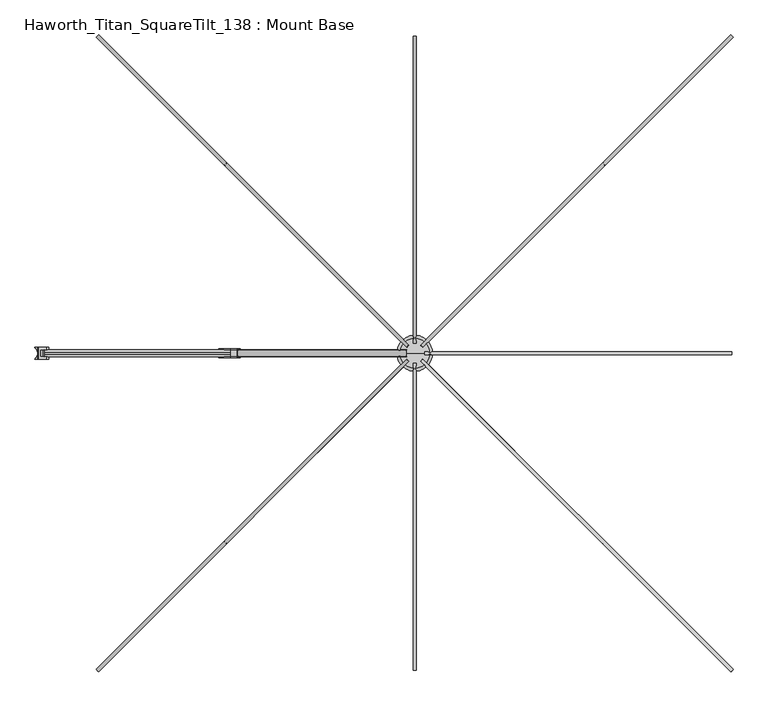
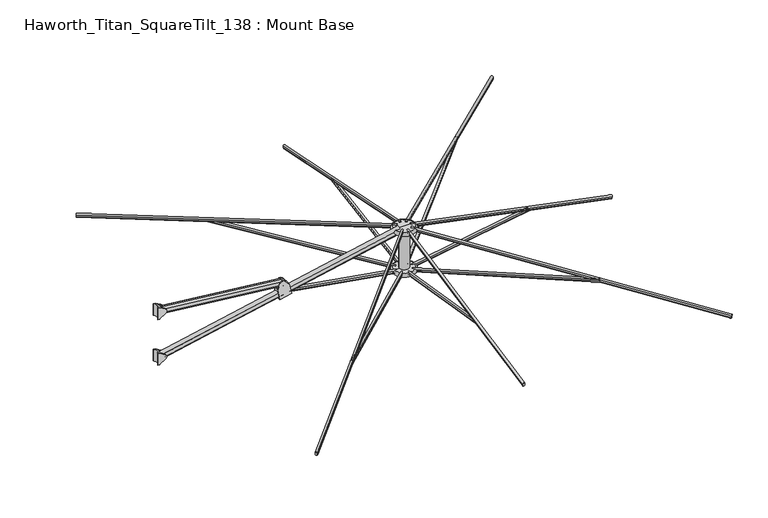
"""IFC4 building model written with IfcOpenShell, lengths in millimetres: furniture geometry, Haworth_Titan_SquareTilt_138 : Mount Base."""

from ifc_helpers import new_model, si_unit, point, frame, frame_2d, origin, place, context, project, spatial, polyline, circle_curve, ellipse_curve, trimmed, segment, composite_curve, outline, extrude, source, transform, mapped, element, save
from ifc_brep_helpers import plane_surface, cylinder_surface, revolved_surface, advanced_brep


def haworth_titan_squaretilt_138_mount_base_e37ba192(model_context):
    return source(origin(), model_context, "Body", "SolidModel", [
        advanced_brep(
        [(-869.5954082, -28.8584398, 2526.2924766), (-770.0187352, -28.8584398, 2546.4740546), (-787.3557443, -28.8584398, 2633.9421224), (-825.1542155, -28.8584398, 2673.9841753), (-867.3492904, -28.8584398, 2665.6207977), (-887.016874, -28.8584398, 2614.1885454), (-789.529389, -23.0799408, 2636.2447868), (-886.064261, -23.0799408, 2616.679702), (-867.3492904, -23.0799408, 2665.6207977), (-825.1542155, -23.0799408, 2673.9841753), (-789.529389, 15.0200592, 2636.2447868), (-886.064261, 15.0200592, 2616.679702), (-825.1542155, 15.0200592, 2673.9841753), (-867.3492904, 15.0200592, 2665.6207977), (-770.0187352, 20.7985583, 2546.4740546), (-869.5954082, 20.7985583, 2526.2924766), (-887.016874, 20.7985583, 2614.1885454), (-867.3492904, 20.7985583, 2665.6207977), (-825.1542155, 20.7985583, 2673.9841753), (-787.3557443, 20.7985583, 2633.9421224), (-879.4307665, -24.0959398, 2575.9145543), (-779.8542982, -24.0959398, 2596.0960908), (-773.8821011, -24.0959398, 2565.9653723), (-873.4586937, -24.0959398, 2545.7838107), (-773.3557206, -23.4898879, 2563.3096957), (-872.9323241, -23.4898879, 2543.1281318), (-773.3557206, 15.4300064, 2563.3096957), (-872.9323241, 15.4300064, 2543.1281318), (-773.8821011, 16.0360583, 2565.9653723), (-873.4586937, 16.0360583, 2545.7838107), (-779.8542982, 16.0360583, 2596.0960908), (-879.4307665, 16.0360583, 2575.9145543), (-780.2734011, 15.6590031, 2598.2105335), (-879.8498606, 15.6590031, 2578.0289988), (-780.2734011, -23.7188847, 2598.2105335), (-879.8498606, -23.7188847, 2578.0289988)],
        [
            (0, 1),
            (1, 2),
            (2, 3),
            (3, 4, circle_curve(frame((-843.6247293, -28.8584398, 2656.5485761), z_axis=(0.0, -1.0, 0.0), x_axis=(1.0, 0.0, 0.0)), 25.4)),
            (4, 5),
            (5, 0),
            (6, 7),
            (7, 8),
            (8, 9, circle_curve(frame((-843.6247293, -23.0799408, 2656.5485761), z_axis=(0.0, 1.0, 0.0), x_axis=(1.0, 0.0, 0.0)), 25.4)),
            (9, 6),
            (6, 10),
            (10, 11),
            (11, 7),
            (10, 12),
            (12, 13, circle_curve(frame((-843.6247293, 15.0200592, 2656.5485761), z_axis=(0.0, -1.0, 0.0), x_axis=(1.0, 0.0, 0.0)), 25.4)),
            (13, 11),
            (14, 15),
            (15, 16),
            (16, 17),
            (17, 18, circle_curve(frame((-843.6247293, 20.7985583, 2656.5485761), z_axis=(0.0, 1.0, 0.0), x_axis=(1.0, 0.0, 0.0)), 25.4)),
            (18, 19),
            (19, 14),
            (0, 15),
            (14, 1),
            (20, 21),
            (21, 22),
            (22, 23),
            (23, 20),
            (22, 24, ellipse_curve(frame((-773.8821011, -17.7459398, 2565.9653723), z_axis=(0.9809169623175261, 0.0, 0.1944271406922321), x_axis=(-0.1944271406922253, 2.253250293405362e-12, 0.9809169623175276)), 6.3500585, 6.35)),
            (24, 25),
            (25, 23, ellipse_curve(frame((-873.4586937, -17.7459398, 2545.7838107), z_axis=(-0.9809177651054216, 0.0, -0.19442309045117281), x_axis=(-0.19442309045116504, 2.251037628428925e-12, 0.9809177651054232)), 6.3500586, 6.35)),
            (24, 26, ellipse_curve(frame((-775.1390476, -4.0299408, 2572.3068744), z_axis=(0.9809169623175261, 0.0, 0.1944271406922321), x_axis=(-0.1944271406922253, 2.253250293405362e-12, 0.9809169623175276)), 21.5133911, 21.513193)),
            (26, 27),
            (27, 25, ellipse_curve(frame((-874.715614, -4.0299408, 2552.125318), z_axis=(-0.9809177651054216, 0.0, -0.19442309045117281), x_axis=(-0.19442309045116504, 2.251037628428925e-12, 0.9809177651054232)), 21.5133915, 21.513193)),
            (26, 28, ellipse_curve(frame((-773.8821011, 9.6860583, 2565.9653723), z_axis=(0.9809169623175261, 0.0, 0.1944271406922321), x_axis=(-0.1944271406922253, 2.253250293405362e-12, 0.9809169623175276)), 6.3500585, 6.35)),
            (28, 29),
            (29, 27, ellipse_curve(frame((-873.4586937, 9.6860583, 2545.7838107), z_axis=(-0.9809177651054216, 0.0, -0.19442309045117281), x_axis=(-0.19442309045116504, 2.251037628428925e-12, 0.9809177651054232)), 6.3500586, 6.35)),
            (28, 30),
            (30, 31),
            (31, 29),
            (30, 32, ellipse_curve(frame((-779.8542982, 9.6860583, 2596.0960908), z_axis=(0.9809169623175261, 0.0, 0.1944271406922321), x_axis=(-0.1944271406922253, 2.253250293405362e-12, 0.9809169623175276)), 6.3500585, 6.35)),
            (32, 33),
            (33, 31, ellipse_curve(frame((-879.4307665, 9.6860583, 2575.9145543), z_axis=(-0.9809177651054216, 0.0, -0.19442309045117281), x_axis=(-0.19442309045116504, 2.251037628428925e-12, 0.9809177651054232)), 6.3500586, 6.35)),
            (32, 34, ellipse_curve(frame((-778.8918896, -4.0299408, 2591.2405804), z_axis=(0.9809169623175261, 0.0, 0.1944271406922321), x_axis=(-0.1944271406922253, 2.253250293405362e-12, 0.9809169623175276)), 20.9320441, 20.9318514)),
            (34, 35),
            (35, 33, ellipse_curve(frame((-878.4683779, -4.0299408, 2571.0590399), z_axis=(-0.9809177651054216, 0.0, -0.19442309045117281), x_axis=(-0.19442309045116504, 2.251037628428925e-12, 0.9809177651054232)), 20.9320445, 20.9318514)),
            (20, 35, ellipse_curve(frame((-879.4307665, -17.7459398, 2575.9145543), z_axis=(-0.9809177651054216, 0.0, -0.19442309045117281), x_axis=(-0.19442309045116504, 2.251037628428925e-12, 0.9809177651054232)), 6.3500586, 6.35)),
            (34, 21, ellipse_curve(frame((-779.8542982, -17.7459398, 2596.0960908), z_axis=(0.9809169623175261, 0.0, 0.1944271406922321), x_axis=(-0.1944271406922253, 2.253250293405362e-12, 0.9809169623175276)), 6.3500585, 6.35)),
            (16, 5),
            (4, 8),
            (13, 17),
            (3, 9),
            (12, 18),
            (2, 19),
        ],
        [
            plane_surface(frame((-887.6680594, -28.8584398, 2522.6296246), z_axis=(0.0, -1.0000000000000002, 0.0), x_axis=(0.9800735011186607, 0.0, 0.19863517413844614))),
            plane_surface(frame((-917.6017277, -23.0799408, 2670.323482), z_axis=(0.0, 1.0000000000000002, 0.0), x_axis=(0.9800735011186607, 0.0, 0.19863517413844614))),
            plane_surface(frame((-905.9141736, -23.0799408, 2612.6566458), z_axis=(-0.19863517413844614, 0.0, 0.9800735011186607), x_axis=(0.9800735011186607, 0.0, 0.19863517413844614))),
            plane_surface(frame((-905.9141736, 15.0200592, 2612.6566458), z_axis=(0.0, -1.0000000000000002, 0.0), x_axis=(0.9800735011186607, 0.0, 0.19863517413844614))),
            plane_surface(frame((-919.8784076, 20.7985583, 2681.5567074), z_axis=(0.0, 1.0000000000000002, 0.0), x_axis=(0.9800735011186607, 0.0, 0.19863517413844614))),
            plane_surface(frame((-887.6680594, 20.7985583, 2522.6296246), z_axis=(0.19863517413844614, 0.0, -0.9800735011186607), x_axis=(0.9800735011186607, 0.0, 0.19863517413844614))),
            plane_surface(frame((-897.7164033, -24.0959398, 2572.2085356), z_axis=(0.0, 1.0000000000000002, 0.0), x_axis=(0.9800735011186607, 0.0, 0.19863517413844614))),
            revolved_surface(polyline([(-772.5940581096462, -17.7459398, 2559.747318949005), (-872.2240956763327, -17.7459398, 2539.5549253796553)]), (-627.0866256, -17.7459398, 2595.7169622), (0.9800735011186607, 0.0, 0.19863517413844567)),
            revolved_surface(polyline([(-770.7752810372693, -4.0299408, 2551.240703853608), (-870.5329139324556, -4.0299408, 2531.022450060237)]), (-628.3707646, -4.0299408, 2602.052953), (0.9800735011186607, 0.0, 0.19863517413844567)),
            revolved_surface(polyline([(-772.5940581096462, 9.6860583, 2559.747318949005), (-872.2240956763327, 9.6860583, 2539.5549253796553)]), (-627.0866256, 9.6860583, 2595.7169622), (0.9800735011186607, 0.0, 0.19863517413844567)),
            plane_surface(frame((-891.6150047, 16.0360583, 2542.104003), z_axis=(0.0, -1.0000000000000002, 0.0), x_axis=(0.9800735011186607, 0.0, 0.19863517413844614))),
            revolved_surface(polyline([(-778.5662552004625, 9.6860583, 2589.878037403692), (-878.1961684851267, 9.6860583, 2569.685669023046)]), (-633.1880242, 9.6860583, 2625.8214949), (0.9800735011186607, 0.0, 0.19863517413844567)),
            revolved_surface(polyline([(-774.6460432025945, -4.0299408, 2570.7436718154127), (-874.3987051030842, -4.0299408, 2550.52642551219)]), (-632.204795, -4.0299408, 2620.9702043), (0.9800735011186607, 0.0, 0.19863517413844567)),
            revolved_surface(polyline([(-778.5662552004625, -17.7459398, 2589.878037403692), (-878.1961684851267, -17.7459398, 2569.685669023046)]), (-633.1880242, -17.7459398, 2625.8214949), (0.9800735011186607, 0.0, 0.19863517413844567)),
            plane_surface(frame((-887.016874, -42.1299408, 2614.1885454), z_axis=(-0.934037835454624, 0.0, 0.35717407792173367), x_axis=(0.0, 1.0, 0.0))),
            cylinder_surface(frame((-843.6247293, 34.0700592, 2656.5485761), z_axis=(0.0, 1.0, 0.0), x_axis=(1.0, 0.0, 0.0)), 25.4),
            plane_surface(frame((-825.1542155, -42.1299408, 2673.9841753), z_axis=(0.7271855840513565, 0.0, 0.6864409124956697), x_axis=(0.0, 1.0, 0.0))),
            plane_surface(frame((-787.3557443, -42.1299408, 2633.9421224), z_axis=(0.9809169623175261, 0.0, 0.1944271406922321), x_axis=(0.0, 1.0, 0.0))),
            plane_surface(frame((-869.1321633, -42.1299408, 2523.955279), z_axis=(-0.9809177651054216, 0.0, -0.19442309045117281), x_axis=(0.0, 1.0, 0.0))),
        ],
        [
            (0, [[1, 2, 3, 4, 5, 6]]),
            (1, [[7, 8, 9, 10]]),
            (2, [[-7, 11, 12, 13]]),
            (3, [[-12, 14, 15, 16]]),
            (4, [[17, 18, 19, 20, 21, 22]]),
            (5, [[-1, 23, -17, 24]]),
            (6, [[25, 26, 27, 28]]),
            (7, [[-27, 29, 30, 31]]),
            (8, [[-30, 32, 33, 34]]),
            (9, [[-33, 35, 36, 37]]),
            (10, [[-36, 38, 39, 40]]),
            (11, [[-39, 41, 42, 43]]),
            (12, [[-42, 44, 45, 46]]),
            (13, [[-25, 47, -45, 48]]),
            (14, [[49, -5, 50, -8, -13, -16, 51, -19]]),
            (15, [[-50, -4, 52, -9]]),
            (15, [[-51, -15, 53, -20]]),
            (16, [[-52, -3, 54, -21, -53, -14, -11, -10]]),
            (17, [[-54, -2, -24, -22], [-26, -48, -44, -41, -38, -35, -32, -29]]),
            (18, [[-49, -18, -23, -6], [-28, -31, -34, -37, -40, -43, -46, -47]]),
        ],
    ),
        advanced_brep(
        [(-1869.6996838, -23.0799408, 2721.3192862), (-1869.6996838, -23.0799408, 2807.4987642), (-1836.2490529, -23.0799408, 2786.4843884), (-1836.2490529, -23.0799408, 2742.333662), (-1869.6996838, 15.0200592, 2721.3192862), (-1869.6996838, 15.0200592, 2807.4987642), (-1836.2490529, 15.0200592, 2742.333662), (-1836.2490529, 15.0200592, 2786.4843884), (-1883.6875668, 28.7360598, 2815.2089767), (-1880.5207508, 28.7360598, 2814.2967816), (-1836.2490529, 28.7360598, 2786.4843884), (-1836.2490529, 28.7360598, 2742.333662), (-1880.5207508, 28.7360598, 2714.5212688), (-1883.6875668, 28.7360598, 2713.6090736), (-1900.0205074, 28.7360598, 2713.6090736), (-1900.0205074, 28.7360598, 2815.2089767), (-1900.0205074, 28.0676775, 2713.6090736), (-1900.0205074, -36.1275028, 2713.6090736), (-1900.0205074, -36.1275028, 2815.2089767), (-1900.0205074, 28.0676775, 2815.2089767), (-1880.5207508, -36.7959413, 2814.2967816), (-1883.6875668, -36.7959413, 2815.2089767), (-1900.0205074, -36.7959413, 2815.2089767), (-1900.0205074, -36.7959413, 2713.6090736), (-1883.6875668, -36.7959413, 2713.6090736), (-1880.5207508, -36.7959413, 2714.5212688), (-1836.2490529, -36.7959413, 2742.333662), (-1836.2490529, -36.7959413, 2786.4843884)],
        [
            (0, 1),
            (1, 2),
            (2, 3, circle_curve(frame((-1850.1172511, -23.0799408, 2764.4090252), z_axis=(0.0, 1.0, 0.0), x_axis=(1.0, 0.0, 0.0)), 26.0700706)),
            (3, 0),
            (0, 4),
            (4, 5),
            (5, 1),
            (4, 6),
            (6, 7, circle_curve(frame((-1850.1172511, 15.0200592, 2764.4090252), z_axis=(0.0, -1.0, 0.0), x_axis=(1.0, 0.0, 0.0)), 26.0700706)),
            (7, 5),
            (8, 9, circle_curve(frame((-1883.6875668, 28.7360598, 2809.2558517), z_axis=(0.0, 1.0, 0.0), x_axis=(1.0, 0.0, 0.0)), 5.953125)),
            (9, 10),
            (10, 11, circle_curve(frame((-1850.1172511, 28.7360598, 2764.4090252), z_axis=(0.0, 1.0, 0.0), x_axis=(1.0, 0.0, 0.0)), 26.0700706)),
            (11, 12),
            (12, 13, circle_curve(frame((-1883.6875668, 28.7360598, 2719.5621986), z_axis=(0.0, 1.0, 0.0), x_axis=(1.0, 0.0, 0.0)), 5.953125)),
            (13, 14),
            (14, 15),
            (15, 8),
            (16, 17, circle_curve(frame((-1927.8319585, -4.0299127, 2713.6090736), z_axis=(0.0, 0.0, -1.0), x_axis=(1.0, 0.0, 0.0)), 42.4703674)),
            (17, 18),
            (18, 19, circle_curve(frame((-1927.8319585, -4.0299127, 2815.2089767), z_axis=(0.0, 0.0, 1.0), x_axis=(1.0, 0.0, 0.0)), 42.4703674)),
            (19, 16),
            (20, 21, circle_curve(frame((-1883.6875668, -36.7959413, 2809.2558517), z_axis=(0.0, -1.0, 0.0), x_axis=(1.0, 0.0, 0.0)), 5.953125)),
            (21, 22),
            (22, 23),
            (23, 24),
            (24, 25, circle_curve(frame((-1883.6875668, -36.7959413, 2719.5621986), z_axis=(0.0, -1.0, 0.0), x_axis=(1.0, 0.0, 0.0)), 5.953125)),
            (25, 26),
            (26, 27, circle_curve(frame((-1850.1172511, -36.7959413, 2764.4090252), z_axis=(0.0, -1.0, 0.0), x_axis=(1.0, 0.0, 0.0)), 26.0700706)),
            (27, 20),
            (8, 21),
            (20, 9),
            (27, 2),
            (7, 10),
            (26, 3),
            (6, 11),
            (25, 12),
            (24, 13),
            (23, 17),
            (16, 14),
            (22, 18),
            (19, 15),
        ],
        [
            plane_surface(frame((-1823.4243107, -23.0799408, 2824.2708572), z_axis=(0.0, 1.0, 0.0), x_axis=(0.0, 0.0, -1.0))),
            plane_surface(frame((-1869.6996838, -23.0799408, 2824.2708572), z_axis=(1.0, 0.0, 0.0), x_axis=(0.0, 0.0, -1.0))),
            plane_surface(frame((-1869.6996838, 15.0200592, 2824.2708572), z_axis=(0.0, -1.0, 0.0), x_axis=(0.0, 0.0, -1.0))),
            plane_surface(frame((-1823.4243107, 28.7360598, 2824.2708572), z_axis=(0.0, 1.0, 0.0), x_axis=(0.0, 0.0, -1.0))),
            revolved_surface(polyline([(-1885.3615911, -4.0299127, 2713.6090736), (-1885.3615911, -4.0299127, 2815.2089767)]), (-1927.8319585, -4.0299127, 2308.0281998), (0.0, 0.0, -1.0)),
            plane_surface(frame((-1900.8112355, -36.7959413, 2824.2708572), z_axis=(0.0, -1.0, 0.0), x_axis=(0.0, 0.0, -1.0))),
            cylinder_surface(frame((-1883.6875668, 72.1700592, 2809.2558517), z_axis=(0.0, 1.0, 0.0), x_axis=(1.0, 0.0, 0.0)), 5.953125),
            plane_surface(frame((-1880.5207508, -80.2299408, 2814.2967816), z_axis=(0.5319585969039572, 0.0, 0.8467703650813325), x_axis=(0.0, 1.0, 0.0))),
            cylinder_surface(frame((-1850.1172511, 72.1700592, 2764.4090252), z_axis=(0.0, 1.0, 0.0), x_axis=(1.0, 0.0, 0.0)), 26.0700706),
            plane_surface(frame((-1836.2490529, -80.2299408, 2742.333662), z_axis=(0.5319585969039639, 0.0, -0.8467703650813284), x_axis=(0.0, 1.0, 0.0))),
            cylinder_surface(frame((-1883.6875668, 72.1700592, 2719.5621986), z_axis=(0.0, 1.0, 0.0), x_axis=(1.0, 0.0, 0.0)), 5.953125),
            plane_surface(frame((-1883.6875668, -80.2299408, 2713.6090736), z_axis=(0.0, 0.0, -1.0), x_axis=(0.0, 1.0, 0.0))),
            plane_surface(frame((-1900.0205074, -80.2299408, 2713.6090736), z_axis=(-1.0, 0.0, 0.0), x_axis=(0.0, 1.0, 0.0))),
            plane_surface(frame((-1900.0205074, -80.2299408, 2815.2089767), z_axis=(0.0, 0.0, 1.0), x_axis=(0.0, 1.0, 0.0))),
        ],
        [
            (0, [[1, 2, 3, 4]]),
            (1, [[-1, 5, 6, 7]]),
            (2, [[-6, 8, 9, 10]]),
            (3, [[11, 12, 13, 14, 15, 16, 17, 18]]),
            (4, [[19, 20, 21, 22]]),
            (5, [[23, 24, 25, 26, 27, 28, 29, 30]]),
            (6, [[31, -23, 32, -11]]),
            (7, [[-32, -30, 33, -2, -7, -10, 34, -12]]),
            (8, [[-33, -29, 35, -3]]),
            (8, [[-34, -9, 36, -13]]),
            (9, [[-36, -8, -5, -4, -35, -28, 37, -14]]),
            (10, [[-37, -27, 38, -15]]),
            (11, [[-38, -26, 39, -19, 40, -16]]),
            (12, [[-39, -25, 41, -20]]),
            (12, [[-40, -22, 42, -17]]),
            (13, [[-31, -18, -42, -21, -41, -24]]),
        ],
    ),
        advanced_brep(
        [(-1869.6996838, -23.0799408, 2316.2331594), (-1869.6996838, -23.0799408, 2402.4126375), (-1836.0051493, -23.0799408, 2381.2450365), (-1836.0051493, -23.0799408, 2337.4007605), (-1869.6996838, 15.0200592, 2316.2331594), (-1869.6996838, 15.0200592, 2402.4126375), (-1836.0051493, 15.0200592, 2337.4007605), (-1836.0051493, 15.0200592, 2381.2450365), (-1883.6875668, 28.7360598, 2410.12285), (-1880.5207508, 28.7360598, 2409.2106549), (-1836.0051493, 28.7360598, 2381.2450365), (-1836.0051493, 28.7360598, 2337.4007605), (-1880.5207508, 28.7360598, 2309.4351421), (-1883.6875668, 28.7360598, 2308.5229469), (-1899.6243107, 28.7360598, 2308.5229469), (-1899.6243107, 28.7360598, 2410.12285), (-1899.6243107, 27.7200591, 2308.5229469), (-1899.6243107, -35.7798845, 2308.5229469), (-1899.6243107, -35.7798845, 2410.12285), (-1899.6243107, 27.7200591, 2410.12285), (-1880.5207508, -36.7959413, 2409.2106549), (-1883.6875668, -36.7959413, 2410.12285), (-1899.6243107, -36.7959413, 2410.12285), (-1899.6243107, -36.7959413, 2308.5229469), (-1883.6875668, -36.7959413, 2308.5229469), (-1880.5207508, -36.7959413, 2309.4351421), (-1836.0051493, -36.7959413, 2337.4007605), (-1836.0051493, -36.7959413, 2381.2450365)],
        [
            (0, 1),
            (1, 2),
            (2, 3, circle_curve(frame((-1849.7770882, -23.0799408, 2359.3228985), z_axis=(0.0, 1.0, 0.0), x_axis=(1.0, 0.0, 0.0)), 25.8891181)),
            (3, 0),
            (0, 4),
            (4, 5),
            (5, 1),
            (4, 6),
            (6, 7, circle_curve(frame((-1849.7770882, 15.0200592, 2359.3228985), z_axis=(0.0, -1.0, 0.0), x_axis=(1.0, 0.0, 0.0)), 25.8891181)),
            (7, 5),
            (8, 9, circle_curve(frame((-1883.6875668, 28.7360598, 2404.169725), z_axis=(0.0, 1.0, 0.0), x_axis=(1.0, 0.0, 0.0)), 5.953125)),
            (9, 10),
            (10, 11, circle_curve(frame((-1849.7770882, 28.7360598, 2359.3228985), z_axis=(0.0, 1.0, 0.0), x_axis=(1.0, 0.0, 0.0)), 25.8891181)),
            (11, 12),
            (12, 13, circle_curve(frame((-1883.6875668, 28.7360598, 2314.4760719), z_axis=(0.0, 1.0, 0.0), x_axis=(1.0, 0.0, 0.0)), 5.953125)),
            (13, 14),
            (14, 15),
            (15, 8),
            (16, 17, circle_curve(frame((-1927.8319585, -4.0299127, 2308.5229469), z_axis=(0.0, 0.0, -1.0), x_axis=(1.0, 0.0, 0.0)), 42.4703674)),
            (17, 18),
            (18, 19, circle_curve(frame((-1927.8319585, -4.0299127, 2410.12285), z_axis=(0.0, 0.0, 1.0), x_axis=(1.0, 0.0, 0.0)), 42.4703674)),
            (19, 16),
            (20, 21, circle_curve(frame((-1883.6875668, -36.7959413, 2404.169725), z_axis=(0.0, -1.0, 0.0), x_axis=(1.0, 0.0, 0.0)), 5.953125)),
            (21, 22),
            (22, 23),
            (23, 24),
            (24, 25, circle_curve(frame((-1883.6875668, -36.7959413, 2314.4760719), z_axis=(0.0, -1.0, 0.0), x_axis=(1.0, 0.0, 0.0)), 5.953125)),
            (25, 26),
            (26, 27, circle_curve(frame((-1849.7770882, -36.7959413, 2359.3228985), z_axis=(0.0, -1.0, 0.0), x_axis=(1.0, 0.0, 0.0)), 25.8891181)),
            (27, 20),
            (8, 21),
            (20, 9),
            (27, 2),
            (7, 10),
            (26, 3),
            (6, 11),
            (25, 12),
            (24, 13),
            (23, 17),
            (16, 14),
            (22, 18),
            (19, 15),
        ],
        [
            plane_surface(frame((-1823.4243107, -23.0799408, 2824.2708572), z_axis=(0.0, 1.0, 0.0), x_axis=(0.0, 0.0, -1.0))),
            plane_surface(frame((-1869.6996838, -23.0799408, 2824.2708572), z_axis=(1.0, 0.0, 0.0), x_axis=(0.0, 0.0, -1.0))),
            plane_surface(frame((-1869.6996838, 15.0200592, 2824.2708572), z_axis=(0.0, -1.0, 0.0), x_axis=(0.0, 0.0, -1.0))),
            plane_surface(frame((-1823.4243107, 28.7360598, 2824.2708572), z_axis=(0.0, 1.0, 0.0), x_axis=(0.0, 0.0, -1.0))),
            revolved_surface(polyline([(-1885.3615911, -4.0299127, 2308.5229469), (-1885.3615911, -4.0299127, 2410.12285)]), (-1927.8319585, -4.0299127, 2308.0281998), (0.0, 0.0, -1.0)),
            plane_surface(frame((-1900.8112355, -36.7959413, 2824.2708572), z_axis=(0.0, -1.0, 0.0), x_axis=(0.0, 0.0, -1.0))),
            cylinder_surface(frame((-1883.6875668, -4.0299408, 2404.169725), z_axis=(0.0, 1.0, 0.0), x_axis=(1.0, 0.0, 0.0)), 5.953125),
            plane_surface(frame((-1880.5207508, -80.2299408, 2409.2106549), z_axis=(0.5319585969039494, 0.0, 0.8467703650813374), x_axis=(0.0, 1.0, 0.0))),
            cylinder_surface(frame((-1849.7770882, -4.0299408, 2359.3228985), z_axis=(0.0, 1.0, 0.0), x_axis=(1.0, 0.0, 0.0)), 25.8891181),
            plane_surface(frame((-1836.0051493, -80.2299408, 2337.4007605), z_axis=(0.5319585969039472, 0.0, -0.8467703650813388), x_axis=(0.0, 1.0, 0.0))),
            cylinder_surface(frame((-1883.6875668, -4.0299408, 2314.4760719), z_axis=(0.0, 1.0, 0.0), x_axis=(1.0, 0.0, 0.0)), 5.953125),
            plane_surface(frame((-1883.6875668, -80.2299408, 2308.5229469), z_axis=(0.0, 0.0, -1.0), x_axis=(0.0, 1.0, 0.0))),
            plane_surface(frame((-1899.6243107, -80.2299408, 2308.5229469), z_axis=(-1.0, 0.0, 0.0), x_axis=(0.0, 1.0, 0.0))),
            plane_surface(frame((-1899.6243107, -80.2299408, 2410.12285), z_axis=(0.0, 0.0, 1.0), x_axis=(0.0, 1.0, 0.0))),
        ],
        [
            (0, [[1, 2, 3, 4]]),
            (1, [[-1, 5, 6, 7]]),
            (2, [[-6, 8, 9, 10]]),
            (3, [[11, 12, 13, 14, 15, 16, 17, 18]]),
            (4, [[19, 20, 21, 22]]),
            (5, [[23, 24, 25, 26, 27, 28, 29, 30]]),
            (6, [[31, -23, 32, -11]]),
            (7, [[-32, -30, 33, -2, -7, -10, 34, -12]]),
            (8, [[-33, -29, 35, -3]]),
            (8, [[-34, -9, 36, -13]]),
            (9, [[-36, -8, -5, -4, -35, -28, 37, -14]]),
            (10, [[-37, -27, 38, -15]]),
            (11, [[-38, -26, 39, -19, 40, -16]]),
            (12, [[-39, -25, 41, -20]]),
            (12, [[-40, -22, 42, -17]]),
            (13, [[-31, -18, -42, -21, -41, -24]]),
        ],
    ),
        extrude(outline(composite_curve([segment(trimmed(circle_curve(frame_2d((6.35, 12.6998841)), 12.7), [point((19.05, 12.6998841))], [point((6.35, -0.000116))], False, "CARTESIAN"), True, "CONTINUOUS"), segment(polyline([(6.35, -0.000116), (-6.35, -0.000116)]), True, "CONTINUOUS"), segment(trimmed(circle_curve(frame_2d((-6.35, 12.6998841)), 12.7), [point((-6.35, -0.000116))], [point((-19.05, 12.6998841))], False, "CARTESIAN"), True, "CONTINUOUS"), segment(polyline([(-19.05, 12.6998841), (-19.05, 45.719986)]), True, "CONTINUOUS"), segment(trimmed(circle_curve(frame_2d((-6.35, 45.719986)), 12.7), [point((-19.05, 45.719986))], [point((-6.35, 58.4199859))], False, "CARTESIAN"), True, "CONTINUOUS"), segment(polyline([(-6.35, 58.4199859), (6.35, 58.4199859)]), True, "CONTINUOUS"), segment(trimmed(circle_curve(frame_2d((6.35, 45.719986)), 12.7), [point((6.35, 58.4199859))], [point((19.05, 45.719986))], False, "CARTESIAN"), True, "CONTINUOUS"), segment(polyline([(19.05, 45.719986), (19.05, 12.6998841)]), True, "CONTINUOUS")], self_intersect=False)), frame((-831.5994581, -4.0299408, 2626.2123734), z_axis=(-0.9942559178142157, 0.0, 0.10702882738501635), x_axis=(0.0, -1.0, 0.0)), (0.0, 0.0, 1.0), 1029.3843356),
        advanced_brep(
        [(108.4580228, -4.0299408, 2400.2999516), (272.5419772, -4.0299408, 2400.2999516), (190.5, -4.0299408, 2400.2999516), (190.5, -4.0299408, 2432.0499516), (272.5419772, -4.0299408, 2432.0499516), (108.4580228, -4.0299408, 2432.0499516)],
        [
            (0, 1, circle_curve(frame((190.5, -4.0299408, 2400.2999516), z_axis=(0.0, 0.0, -1.0), x_axis=(1.0, 0.0, 0.0)), 82.0419772)),
            (1, 2),
            (2, 0),
            (1, 0, circle_curve(frame((190.5, -4.0299408, 2400.2999516), z_axis=(0.0, 0.0, -1.0), x_axis=(1.0, 0.0, 0.0)), 82.0419772)),
            (3, 4),
            (4, 5, circle_curve(frame((190.5, -4.0299408, 2432.0499516), z_axis=(0.0, 0.0, 1.0), x_axis=(1.0, 0.0, 0.0)), 82.0419772)),
            (5, 3),
            (5, 4, circle_curve(frame((190.5, -4.0299408, 2432.0499516), z_axis=(0.0, 0.0, 1.0), x_axis=(1.0, 0.0, 0.0)), 82.0419772)),
            (4, 1, circle_curve(frame((272.5419772, -4.0299408, 2416.1749516), z_axis=(0.0, 1.0, 0.0), x_axis=(1.0, 0.0, 0.0)), 15.875)),
            (0, 5, circle_curve(frame((108.4580228, -4.0299408, 2416.1749516), z_axis=(0.0, 1.0, 0.0), x_axis=(-1.0, 0.0, 0.0)), 15.875)),
        ],
        [
            plane_surface(frame((190.5, -4.0299408, 2400.2999516), z_axis=(0.0, 0.0, -1.0), x_axis=(1.0, 0.0, 0.0))),
            plane_surface(frame((190.5, -4.0299408, 2432.0499516), z_axis=(0.0, 0.0, 1.0), x_axis=(1.0, 0.0, 0.0))),
            revolved_surface(trimmed(ellipse_curve(frame((272.5419772, -4.0299408, 2416.1749516), z_axis=(0.0, -1.0, 0.0), x_axis=(1.0, 0.0, 0.0)), 15.875, 15.875), [point((272.5419772, -4.0299408, 2400.2999516))], [point((272.5419772, -4.0299408, 2432.0499516))], True, "CARTESIAN"), (190.5, -4.0299408, 2605.8874532), (0.0, 0.0, 1.0)),
        ],
        [
            (0, [[1, 2, 3]]),
            (0, [[4, -3, -2]]),
            (1, [[5, 6, 7]]),
            (1, [[-7, 8, -5]]),
            (2, [[-6, 9, -1, 10]]),
            (2, [[-8, -10, -4, -9]]),
        ],
    ),
        extrude(outline(composite_curve([segment(polyline([(12.9834408, -8.4804821), (12.9834408, -22.8946348)]), True, "CONTINUOUS"), segment(trimmed(circle_curve(frame_2d((4.0299408, -22.8946348)), 8.9535), [point((12.9834408, -22.8946348))], [point((-4.9235592, -22.8946348))], False, "CARTESIAN"), True, "CONTINUOUS"), segment(polyline([(-4.9235592, -22.8946348), (-4.9235592, -8.4804821)]), True, "CONTINUOUS"), segment(trimmed(circle_curve(frame_2d((4.0299408, -8.4804821)), 8.9535), [point((-4.9235592, -8.4804821))], [point((12.9834408, -8.4804821))], False, "CARTESIAN"), True, "CONTINUOUS")], self_intersect=False)), frame((194.5299408, -74.166692, 2401.8470755), z_axis=(0.0, -0.9861767437542511, 0.16569680165368939), x_axis=(-1.0, 0.0, 0.0)), (0.0, 0.0, 1.0), 988.7757118),
        extrude(outline(composite_curve([segment(polyline([(12.9834408, -8.4804821), (12.9834408, -22.8946348)]), True, "CONTINUOUS"), segment(trimmed(circle_curve(frame_2d((4.0299408, -22.8946348)), 8.9535), [point((12.9834408, -22.8946348))], [point((-4.9235592, -22.8946348))], False, "CARTESIAN"), True, "CONTINUOUS"), segment(polyline([(-4.9235592, -22.8946348), (-4.9235592, -8.4804821)]), True, "CONTINUOUS"), segment(trimmed(circle_curve(frame_2d((4.0299408, -8.4804821)), 8.9535), [point((-4.9235592, -8.4804821))], [point((12.9834408, -8.4804821))], False, "CARTESIAN"), True, "CONTINUOUS")], self_intersect=False)), frame((120.3632487, -8.0598816, 2401.8470755), z_axis=(-0.9861767437542511, 0.0, 0.16569680165368939), x_axis=(0.0, 1.0, 0.0)), (0.0, 0.0, 1.0), 988.7757118),
        extrude(outline(composite_curve([segment(polyline([(12.9834408, -8.4804821), (12.9834408, -22.8946348)]), True, "CONTINUOUS"), segment(trimmed(circle_curve(frame_2d((4.0299408, -22.8946348)), 8.9535), [point((12.9834408, -22.8946348))], [point((-4.9235592, -22.8946348))], False, "CARTESIAN"), True, "CONTINUOUS"), segment(polyline([(-4.9235592, -22.8946348), (-4.9235592, -8.4804821)]), True, "CONTINUOUS"), segment(trimmed(circle_curve(frame_2d((4.0299408, -8.4804821)), 8.9535), [point((-4.9235592, -8.4804821))], [point((12.9834408, -8.4804821))], False, "CARTESIAN"), True, "CONTINUOUS")], self_intersect=False)), frame((186.4700592, 66.1068105, 2401.8470755), z_axis=(0.0, 0.9861767437542511, 0.16569680165368939), x_axis=(1.0, 0.0, 0.0)), (0.0, 0.0, 1.0), 988.7757118),
        extrude(outline(composite_curve([segment(trimmed(circle_curve(frame_2d((4.0299408, 7.3267917)), 8.9535), [point((12.9834408, 7.3267917))], [point((-4.9235592, 7.3267917))], False, "CARTESIAN"), True, "CONTINUOUS"), segment(polyline([(-4.9235592, 7.3267917), (-4.9235592, 21.7411303)]), True, "CONTINUOUS"), segment(trimmed(circle_curve(frame_2d((4.0299408, 21.7411303)), 8.9535), [point((-4.9235592, 21.7411303))], [point((12.9834408, 21.7411303))], False, "CARTESIAN"), True, "CONTINUOUS"), segment(polyline([(12.9834408, 21.7411303), (12.9834408, 7.3267917)]), True, "CONTINUOUS")], self_intersect=False)), frame((194.5299408, -1742.7095287, 2428.4090401), z_axis=(0.0, 0.9801650338144994, 0.19818301261062068), x_axis=(-1.0, 0.0, 0.0)), (0.0, 0.0, 1.0), 1722.8259277),
        extrude(outline(composite_curve([segment(polyline([(-16.0360582, 6.8616994), (-16.0360582, 37.5785601)]), True, "CONTINUOUS"), segment(trimmed(circle_curve(frame_2d((-9.6860582, 37.5785601)), 6.35), [point((-16.0360582, 37.5785601))], [point((-15.6590238, 39.7340606))], False, "CARTESIAN"), True, "CONTINUOUS"), segment(trimmed(circle_curve(frame_2d((4.0299408, 32.6287841)), 20.9318007), [point((-15.6590238, 39.7340606))], [point((23.7189054, 39.7340606))], False, "CARTESIAN"), True, "CONTINUOUS"), segment(trimmed(circle_curve(frame_2d((17.7459399, 37.5785601)), 6.35), [point((23.7189054, 39.7340606))], [point((24.0959399, 37.5785601))], False, "CARTESIAN"), True, "CONTINUOUS"), segment(polyline([(24.0959399, 37.5785601), (24.0959399, 6.8616994)]), True, "CONTINUOUS"), segment(trimmed(circle_curve(frame_2d((17.7459399, 6.8616994)), 6.35), [point((24.0959399, 6.8616994))], [point((23.4899127, 4.154436))], False, "CARTESIAN"), True, "CONTINUOUS"), segment(trimmed(circle_curve(frame_2d((4.0299408, 13.3263579)), 21.5131276), [point((23.4899127, 4.154436))], [point((-15.4300311, 4.154436))], False, "CARTESIAN"), True, "CONTINUOUS"), segment(trimmed(circle_curve(frame_2d((-9.6860582, 6.8616994)), 6.35), [point((-15.4300311, 4.154436))], [point((-16.0360582, 6.8616994))], False, "CARTESIAN"), True, "CONTINUOUS")], self_intersect=False)), frame((-1869.6996838, -8.0598816, 2336.8707321), z_axis=(0.9793165013845375, 0.0, 0.2023343522883576), x_axis=(0.0, 1.0, 0.0)), (0.0, 0.0, 1.0), 2066.1587825),
        extrude(outline(composite_curve([segment(trimmed(circle_curve(frame_2d((4.0299408, 7.3267917)), 8.9535), [point((12.9834408, 7.3267917))], [point((-4.9235592, 7.3267917))], False, "CARTESIAN"), True, "CONTINUOUS"), segment(polyline([(-4.9235592, 7.3267917), (-4.9235592, 21.7411303)]), True, "CONTINUOUS"), segment(trimmed(circle_curve(frame_2d((4.0299408, 21.7411303)), 8.9535), [point((-4.9235592, 21.7411303))], [point((12.9834408, 21.7411303))], False, "CARTESIAN"), True, "CONTINUOUS"), segment(polyline([(12.9834408, 21.7411303), (12.9834408, 7.3267917)]), True, "CONTINUOUS")], self_intersect=False)), frame((186.4700592, 1734.6496471, 2428.4090401), z_axis=(0.0, -0.9801650338144994, 0.19818301261062068), x_axis=(1.0, 0.0, 0.0)), (0.0, 0.0, 1.0), 1722.8259277),
        extrude(outline(composite_curve([segment(trimmed(circle_curve(frame_2d((4.0299408, 7.3267917)), 8.9535), [point((12.9834408, 7.3267917))], [point((-4.9235592, 7.3267917))], False, "CARTESIAN"), True, "CONTINUOUS"), segment(polyline([(-4.9235592, 7.3267917), (-4.9235592, 21.7411303)]), True, "CONTINUOUS"), segment(trimmed(circle_curve(frame_2d((4.0299408, 21.7411303)), 8.9535), [point((-4.9235592, 21.7411303))], [point((12.9834408, 21.7411303))], False, "CARTESIAN"), True, "CONTINUOUS"), segment(polyline([(12.9834408, 21.7411303), (12.9834408, 7.3267917)]), True, "CONTINUOUS")], self_intersect=False)), frame((1929.1795879, 0.0, 2428.4090401), z_axis=(-0.9801650338144994, 0.0, 0.19818301261062068), x_axis=(0.0, -1.0, 0.0)), (0.0, 0.0, 1.0), 1722.8259277),
        extrude(outline(composite_curve([segment(polyline([(12.9834408, -8.4804821), (12.9834408, -22.8946348)]), True, "CONTINUOUS"), segment(trimmed(circle_curve(frame_2d((4.0299408, -22.8946348)), 8.9535), [point((12.9834408, -22.8946348))], [point((-4.9235592, -22.8946348))], False, "CARTESIAN"), True, "CONTINUOUS"), segment(polyline([(-4.9235592, -22.8946348), (-4.9235592, -8.4804821)]), True, "CONTINUOUS"), segment(trimmed(circle_curve(frame_2d((4.0299408, -8.4804821)), 8.9535), [point((-4.9235592, -8.4804821))], [point((12.9834408, -8.4804821))], False, "CARTESIAN"), True, "CONTINUOUS")], self_intersect=False)), frame((260.6367513, 0.0, 2401.8470755), z_axis=(0.9861767437542511, 0.0, 0.16569680165368939), x_axis=(0.0, -1.0, 0.0)), (0.0, 0.0, 1.0), 988.7757118),
        extrude(outline(composite_curve([segment(trimmed(circle_curve(frame_2d((-0.4115857, 9.2017124)), 8.947892), [point((8.536306, 9.199875))], [point((-9.3594775, 9.2035508))], False, "CARTESIAN"), True, "CONTINUOUS"), segment(polyline([(-9.3594775, 9.2035508), (-9.3566127, 23.146125)]), True, "CONTINUOUS"), segment(trimmed(circle_curve(frame_2d((-0.4087216, 23.146125)), 8.9478911), [point((-9.3566127, 23.146125))], [point((8.5391696, 23.1457573))], False, "CARTESIAN"), True, "CONTINUOUS"), segment(polyline([(8.5391696, 23.1457573), (8.536306, 9.199875)]), True, "CONTINUOUS")], self_intersect=False)), frame((237.6361467, -51.1828494, 2402.1731899), z_axis=(0.7022714954503634, -0.7025212277166215, 0.11523311713843858), x_axis=(0.7072324735233164, 0.7069810665032633, 0.0)), (0.0, 0.0, 1.0), 1419.3192033),
        extrude(outline(composite_curve([segment(trimmed(circle_curve(frame_2d((-0.4115858, 9.2017124)), 8.947892), [point((8.536306, 9.1998752))], [point((-9.3594776, 9.203551))], False, "CARTESIAN"), True, "CONTINUOUS"), segment(polyline([(-9.3594776, 9.203551), (-9.3566123, 23.146125)]), True, "CONTINUOUS"), segment(trimmed(circle_curve(frame_2d((-0.4087216, 23.146125)), 8.9478908), [point((-9.3566123, 23.146125))], [point((8.5391692, 23.1457573))], False, "CARTESIAN"), True, "CONTINUOUS"), segment(polyline([(8.5391692, 23.1457573), (8.536306, 9.1998752)]), True, "CONTINUOUS")], self_intersect=False)), frame((143.3470914, -51.1660875, 2402.1731899), z_axis=(-0.7025212277166298, -0.702271495450355, 0.11523311713843856), x_axis=(0.7069810665032549, -0.7072324735233249, 0.0)), (0.0, 0.0, 1.0), 1419.3192033),
        extrude(outline(composite_curve([segment(trimmed(circle_curve(frame_2d((-0.4115858, 9.2017124)), 8.947892), [point((8.536306, 9.1998752))], [point((-9.3594775, 9.203551))], False, "CARTESIAN"), True, "CONTINUOUS"), segment(polyline([(-9.3594775, 9.203551), (-9.3566123, 23.1461249)]), True, "CONTINUOUS"), segment(trimmed(circle_curve(frame_2d((-0.4087216, 23.146125)), 8.9478908), [point((-9.3566123, 23.1461249))], [point((8.5391692, 23.1457573))], False, "CARTESIAN"), True, "CONTINUOUS"), segment(polyline([(8.5391692, 23.1457573), (8.536306, 9.1998752)]), True, "CONTINUOUS")], self_intersect=False)), frame((143.3638533, 43.1229678, 2402.1731899), z_axis=(-0.7022714954503608, 0.7025212277166241, 0.11523311713843853), x_axis=(-0.707232473523319, -0.7069810665032608, 0.0)), (0.0, 0.0, 1.0), 1419.3192033),
        extrude(outline(composite_curve([segment(trimmed(circle_curve(frame_2d((-0.4115858, 9.2017124)), 8.947892), [point((8.536306, 9.1998752))], [point((-9.3594775, 9.203551))], False, "CARTESIAN"), True, "CONTINUOUS"), segment(polyline([(-9.3594775, 9.203551), (-9.3566123, 23.146125)]), True, "CONTINUOUS"), segment(trimmed(circle_curve(frame_2d((-0.4087216, 23.146125)), 8.9478908), [point((-9.3566123, 23.146125))], [point((8.5391692, 23.1457573))], False, "CARTESIAN"), True, "CONTINUOUS"), segment(polyline([(8.5391692, 23.1457573), (8.536306, 9.1998752)]), True, "CONTINUOUS")], self_intersect=False)), frame((237.6529086, 43.1062059, 2402.1731899), z_axis=(0.7025212277166183, 0.7022714954503666, 0.11523311713843862), x_axis=(-0.7069810665032665, 0.7072324735233132, 0.0)), (0.0, 0.0, 1.0), 1419.3192033),
        extrude(outline(composite_curve([segment(trimmed(circle_curve(frame_2d((0.0454336, -8.9661607)), 8.9535016), [point((-8.9080678, -8.9644052))], [point((8.9989351, -8.9679162))], False, "CARTESIAN"), True, "CONTINUOUS"), segment(polyline([(8.9989351, -8.9679162), (8.9961217, -23.3170803)]), True, "CONTINUOUS"), segment(trimmed(circle_curve(frame_2d((0.0426202, -23.3153248)), 8.9535016), [point((8.9961217, -23.3170803))], [point((-8.9108812, -23.3135694))], False, "CARTESIAN"), True, "CONTINUOUS"), segment(polyline([(-8.9108812, -23.3135694), (-8.9080678, -8.9644052)]), True, "CONTINUOUS")], self_intersect=False)), frame((1933.6904793, -1747.603189, 2425.0035693), z_axis=(-0.700059246017185, 0.7000592460172453, 0.14083360441178988), x_axis=(0.707106781186578, 0.7071067811865172, 0.0)), (0.0, 0.0, 1.0), 2439.7329293),
        extrude(outline(composite_curve([segment(trimmed(circle_curve(frame_2d((0.0454336, -8.9661607)), 8.9535016), [point((-8.9080678, -8.9644052))], [point((8.9989351, -8.9679162))], False, "CARTESIAN"), True, "CONTINUOUS"), segment(polyline([(8.9989351, -8.9679162), (8.9961217, -23.3170803)]), True, "CONTINUOUS"), segment(trimmed(circle_curve(frame_2d((0.0426202, -23.3153248)), 8.9535016), [point((8.9961217, -23.3170803))], [point((-8.9108812, -23.3135694))], False, "CARTESIAN"), True, "CONTINUOUS"), segment(polyline([(-8.9108812, -23.3135694), (-8.9080678, -8.9644052)]), True, "CONTINUOUS")], self_intersect=False)), frame((-1553.0732482, -1747.2204201, 2425.0035693), z_axis=(0.7000592460172536, 0.700059246017177, 0.1408336044117898), x_axis=(0.7071067811865089, -0.7071067811865863, 0.0)), (0.0, 0.0, 1.0), 2439.7329293),
        extrude(outline(composite_curve([segment(trimmed(circle_curve(frame_2d((0.0454336, -8.9661607)), 8.9535016), [point((-8.9080679, -8.9644052))], [point((8.9989351, -8.9679162))], False, "CARTESIAN"), True, "CONTINUOUS"), segment(polyline([(8.9989351, -8.9679162), (8.9961217, -23.3170803)]), True, "CONTINUOUS"), segment(trimmed(circle_curve(frame_2d((0.0426202, -23.3153248)), 8.9535016), [point((8.9961217, -23.3170803))], [point((-8.9108812, -23.3135694))], False, "CARTESIAN"), True, "CONTINUOUS"), segment(polyline([(-8.9108812, -23.3135694), (-8.9080679, -8.9644052)]), True, "CONTINUOUS")], self_intersect=False)), frame((-1552.6904793, 1739.5433074, 2425.0035693), z_axis=(0.7000592460171826, -0.7000592460172478, 0.1408336044117898), x_axis=(-0.7071067811865804, -0.7071067811865146, 0.0)), (0.0, 0.0, 1.0), 2439.7329293),
        extrude(outline(composite_curve([segment(trimmed(circle_curve(frame_2d((0.0454336, -8.9661607)), 8.9535016), [point((-8.9080678, -8.9644052))], [point((8.9989351, -8.9679162))], False, "CARTESIAN"), True, "CONTINUOUS"), segment(polyline([(8.9989351, -8.9679162), (8.9961217, -23.3170803)]), True, "CONTINUOUS"), segment(trimmed(circle_curve(frame_2d((0.0426202, -23.3153248)), 8.9535016), [point((8.9961217, -23.3170803))], [point((-8.9108812, -23.3135694))], False, "CARTESIAN"), True, "CONTINUOUS"), segment(polyline([(-8.9108812, -23.3135694), (-8.9080678, -8.9644052)]), True, "CONTINUOUS")], self_intersect=False)), frame((1934.0732482, 1739.1605385, 2425.0035693), z_axis=(-0.7000592460172421, -0.7000592460171882, 0.14083360441178977), x_axis=(-0.7071067811865203, 0.7071067811865748, 0.0)), (0.0, 0.0, 1.0), 2439.7329293),
        advanced_brep(
        [(150.140881, -4.0299408, 2769.6161201), (230.859119, -4.0299408, 2769.6161201), (230.859119, -4.0299408, 2431.0340252), (150.140881, -4.0299408, 2431.0340252), (190.5, -4.0299408, 2769.6161201), (190.5, -4.0299408, 2431.0340252)],
        [
            (0, 1, circle_curve(frame((190.5, -4.0299408, 2769.6161201), z_axis=(0.0, 0.0, -1.0), x_axis=(1.0, 0.0, 0.0)), 40.359119)),
            (1, 2),
            (2, 3, circle_curve(frame((190.5, -4.0299408, 2431.0340252), z_axis=(0.0, 0.0, 1.0), x_axis=(1.0, 0.0, 0.0)), 40.359119)),
            (3, 0),
            (1, 0, circle_curve(frame((190.5, -4.0299408, 2769.6161201), z_axis=(0.0, 0.0, -1.0), x_axis=(1.0, 0.0, 0.0)), 40.359119)),
            (3, 2, circle_curve(frame((190.5, -4.0299408, 2431.0340252), z_axis=(0.0, 0.0, 1.0), x_axis=(1.0, 0.0, 0.0)), 40.359119)),
            (4, 1),
            (0, 4),
            (2, 5),
            (5, 3),
        ],
        [
            cylinder_surface(frame((190.5, -4.0299408, 2607.6909748), z_axis=(0.0, 0.0, 1.0), x_axis=(1.0, 0.0, 0.0)), 40.359119),
            plane_surface(frame((190.5, -4.0299408, 2769.6161201), z_axis=(0.0, 0.0, 1.0), x_axis=(1.0, 0.0, 0.0))),
            plane_surface(frame((190.5, -4.0299408, 2431.0340252), z_axis=(0.0, 0.0, -1.0), x_axis=(1.0, 0.0, 0.0))),
        ],
        [
            (0, [[1, 2, 3, 4]]),
            (0, [[5, -4, 6, -2]]),
            (1, [[7, -1, 8]]),
            (1, [[-8, -5, -7]]),
            (2, [[-3, 9, 10]]),
            (2, [[-6, -10, -9]]),
        ],
    ),
        advanced_brep(
        [(108.4580228, -4.0299408, 2762.25), (272.5419772, -4.0299408, 2762.25), (190.5, -4.0299408, 2762.25), (190.5, -4.0299408, 2794.0), (272.5419772, -4.0299408, 2794.0), (108.4580228, -4.0299408, 2794.0)],
        [
            (0, 1, circle_curve(frame((190.5, -4.0299408, 2762.25), z_axis=(0.0, 0.0, -1.0), x_axis=(1.0, 0.0, 0.0)), 82.0419772)),
            (1, 2),
            (2, 0),
            (1, 0, circle_curve(frame((190.5, -4.0299408, 2762.25), z_axis=(0.0, 0.0, -1.0), x_axis=(1.0, 0.0, 0.0)), 82.0419772)),
            (3, 4),
            (4, 5, circle_curve(frame((190.5, -4.0299408, 2794.0), z_axis=(0.0, 0.0, 1.0), x_axis=(1.0, 0.0, 0.0)), 82.0419772)),
            (5, 3),
            (5, 4, circle_curve(frame((190.5, -4.0299408, 2794.0), z_axis=(0.0, 0.0, 1.0), x_axis=(1.0, 0.0, 0.0)), 82.0419772)),
            (4, 1, circle_curve(frame((272.5419772, -4.0299408, 2778.125), z_axis=(0.0, 1.0, 0.0), x_axis=(1.0, 0.0, 0.0)), 15.875)),
            (0, 5, circle_curve(frame((108.4580228, -4.0299408, 2778.125), z_axis=(0.0, 1.0, 0.0), x_axis=(-1.0, 0.0, 0.0)), 15.875)),
        ],
        [
            plane_surface(frame((190.5, -4.0299408, 2762.25), z_axis=(0.0, 0.0, -1.0), x_axis=(1.0, 0.0, 0.0))),
            plane_surface(frame((190.5, -4.0299408, 2794.0), z_axis=(0.0, 0.0, 1.0), x_axis=(1.0, 0.0, 0.0))),
            revolved_surface(trimmed(ellipse_curve(frame((272.5419772, -4.0299408, 2778.125), z_axis=(0.0, -1.0, 0.0), x_axis=(1.0, 0.0, 0.0)), 15.875, 15.875), [point((272.5419772, -4.0299408, 2762.25))], [point((272.5419772, -4.0299408, 2794.0))], True, "CARTESIAN"), (190.5, -4.0299408, 2876.5500484), (0.0, 0.0, 1.0)),
        ],
        [
            (0, [[1, 2, 3]]),
            (0, [[4, -3, -2]]),
            (1, [[5, 6, 7]]),
            (1, [[-7, 8, -5]]),
            (2, [[-6, 9, -1, 10]]),
            (2, [[-8, -10, -4, -9]]),
        ],
    ),
    ])


if __name__ == "__main__":
    model = new_model("IFC4")
    model_context = context("Model", 3, world=origin())
    ifc_project = project(units=[si_unit("LENGTHUNIT", "METRE", prefix="MILLI")], contexts=[model_context])
    site = spatial("IfcSite", under=ifc_project)
    building = spatial("IfcBuilding", under=site)
    placement = place(None, origin())
    haworth_titan_squaretilt_138_mount_base_shape = haworth_titan_squaretilt_138_mount_base_e37ba192(model_context)
    element("IfcFurniture", 1, ObjectType="Haworth_Titan_SquareTilt_138 : Mount Base", at=placement, inside=building, context=model_context, shape_type="MappedRepresentation", body=[
        mapped(haworth_titan_squaretilt_138_mount_base_shape, transform((0.0, 0.0, 0.0), x_axis=(1.0, 0.0, 0.0), y_axis=(0.0, 1.0, 0.0), z_axis=(0.0, 0.0, 1.0))),
    ])
    save(model, "model.ifc")
